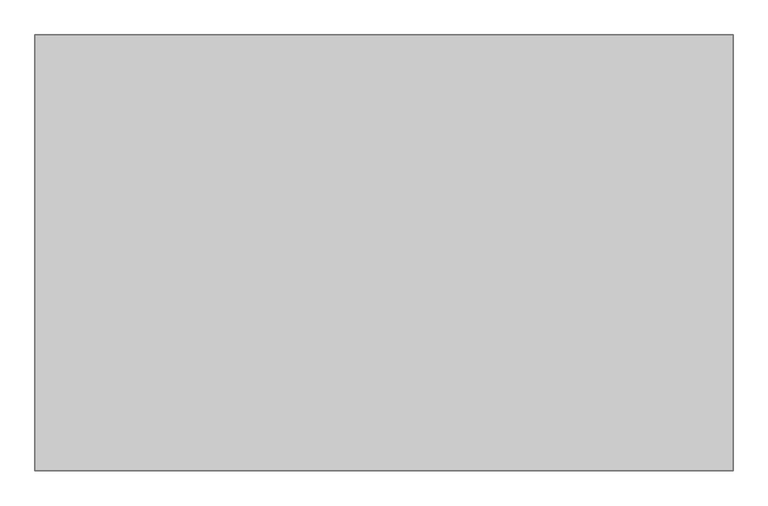
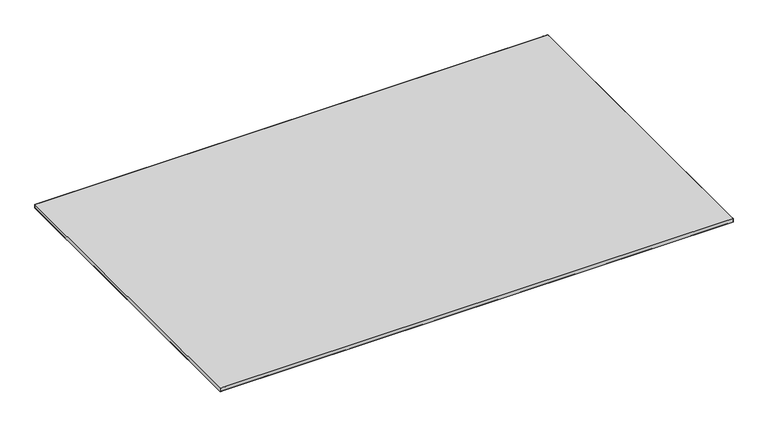
"""IFC4 building model written with IfcOpenShell, lengths in millimetres: furniture geometry."""

from ifc_helpers import new_model, si_unit, origin, place, context, project, spatial, triangles, source, transform, mapped, element, save


def furniture_48882fe7(model_context):
    return source(origin(), model_context, "Body", "Tessellation", [
        triangles([(-1219.2001453, 761.9997093, 2.5400001), (-1219.1999273, -762.000218, 2.5400001), (1219.2001453, -761.9997093, 2.5400001), (1219.1999273, 762.000218, 2.5400001)], [[1, 2, 3], [1, 3, 4]], closed=False),
        triangles([(1198.9614824, -761.999782, 17.8159104), (1219.2001453, -761.999782, 17.8159104), (1219.2001453, -743.0640919, 17.8159104), (1198.9614824, -743.0640919, 17.8159104), (-1219.1999273, -762.0002907, 17.8159104), (-1198.9612644, -762.0002907, 17.8159104), (-1198.9612644, -743.0646006, 17.8159104), (-1219.1999273, -743.0646006, 17.8159104), (-1198.9614824, 761.999782, 17.8159104), (-1219.2001453, 761.999782, 17.8159104), (-1219.2001453, 743.0640919, 17.8159104), (-1198.9614824, 743.0640919, 17.8159104), (1198.9612644, 743.0646006, 17.8159104), (1198.9614824, -761.999782, 0.0), (-1198.9612644, -762.0002907, 0.0), (1219.1999273, 743.0646006, 0.0), (1219.1999273, 743.0646006, 17.8159104), (1219.2001453, -743.0640919, 0.0), (-1198.9614824, 761.999782, 0.0), (1198.9612644, 762.0002907, 17.8159104), (1198.9612644, 762.0002907, 0.0), (-1219.1999273, -743.0646006, 0.0), (-1219.2001453, 743.0640919, 0.0), (1219.2001453, -761.999782, 0.0), (-1219.1999273, -762.0002907, 0.0), (-1219.2001453, 761.999782, 0.0), (1219.1999273, 762.0002907, 17.8159104), (1219.1999273, 762.0002907, 0.0)], [[1, 2, 3], [3, 4, 1], [5, 6, 7], [7, 8, 5], [9, 10, 11], [11, 12, 9], [13, 12, 7], [7, 4, 13], [14, 1, 6], [6, 15, 14], [16, 17, 3], [3, 18, 16], [19, 9, 20], [20, 21, 19], [22, 8, 11], [11, 23, 22], [17, 13, 4], [4, 3, 17], [8, 7, 12], [12, 11, 8], [24, 2, 1], [1, 14, 24], [5, 25, 15], [15, 6, 5], [26, 10, 9], [9, 19, 26], [27, 28, 21], [21, 20, 27], [20, 9, 12], [12, 13, 20], [6, 1, 4], [4, 7, 6], [28, 27, 17], [17, 16, 28], [2, 24, 18], [18, 3, 2], [25, 5, 8], [8, 22, 25], [10, 26, 23], [23, 11, 10], [27, 20, 13], [13, 17, 27]], closed=False),
    ])


if __name__ == "__main__":
    model = new_model("IFC4")
    model_context = context("Model", 3, world=origin())
    ifc_project = project(units=[si_unit("LENGTHUNIT", "METRE", prefix="MILLI")], contexts=[model_context])
    site = spatial("IfcSite", under=ifc_project)
    building = spatial("IfcBuilding", under=site)
    placement = place(None, origin())
    furniture_shape = furniture_48882fe7(model_context)
    element("IfcFurniture", 1, at=placement, inside=building, context=model_context, shape_type="MappedRepresentation", body=[
        mapped(furniture_shape, transform((0.0, 0.0, 0.0), x_axis=(1.0, 0.0, 0.0), y_axis=(0.0, 1.0, 0.0), z_axis=(0.0, 0.0, 1.0))),
    ])
    save(model, "model.ifc")
